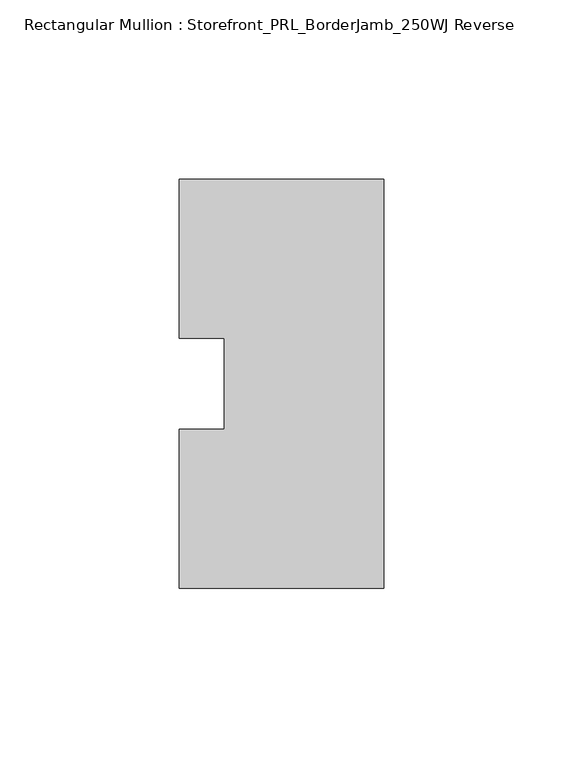
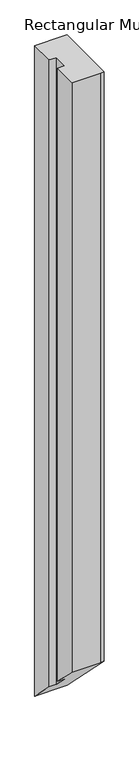
"""IFC4 building model written with IfcOpenShell, lengths in millimetres: member geometry, Rectangular Mullion : Storefront_PRL_BorderJamb_250WJ Reverse."""

from ifc_helpers import new_model, si_unit, origin, place, context, project, spatial, faceted_brep, source, transform, mapped, element, save


def rectangular_mullion_storefront_prl_borderjamb_250wj_reverse_ddfc207d(model_context):
    return source(origin(), model_context, "Body", "Brep", [
        faceted_brep([(-44.45, -12.7, 0.0), (-57.15, -12.7, 0.0), (-57.15, -57.15, 0.0), (-6.35, -57.15, 0.0), (0.0, -57.15, 0.0), (0.0, 57.15, 0.0), (-7.3958824, 57.15, 0.0), (-57.15, 57.15, 0.0), (-57.15, 12.7, 0.0), (-44.45, 12.7, 0.0), (-44.45, -12.7, -1149.35), (-57.15, -12.7, -1149.35), (-57.15, -57.15, -1104.9), (-6.35, -57.15, -1104.9), (0.0, -57.15, -1104.9), (0.0, 57.15, -1219.2), (-7.3958824, 57.15, -1219.2), (-57.15, 57.15, -1219.2), (-57.15, 12.7, -1174.75), (-44.45, 12.7, -1174.75)], [[[0, 1, 2, 3, 4, 5, 6, 7, 8, 9]], [[1, 0, 10, 11]], [[2, 1, 11, 12]], [[3, 2, 12, 13]], [[4, 3, 13, 14]], [[5, 4, 14, 15]], [[6, 5, 15, 16]], [[7, 6, 16, 17]], [[8, 7, 17, 18]], [[9, 8, 18, 19]], [[0, 9, 19, 10]], [[10, 19, 18, 17, 16, 15, 14, 13, 12, 11]]]),
    ])


if __name__ == "__main__":
    model = new_model("IFC4")
    model_context = context("Model", 3, world=origin())
    ifc_project = project(units=[si_unit("LENGTHUNIT", "METRE", prefix="MILLI")], contexts=[model_context])
    site = spatial("IfcSite", under=ifc_project)
    building = spatial("IfcBuilding", under=site)
    placement = place(None, origin())
    rectangular_mullion_storefront_prl_borderjamb_250wj_reverse_shape = rectangular_mullion_storefront_prl_borderjamb_250wj_reverse_ddfc207d(model_context)
    element("IfcMember", 1, ObjectType="Rectangular Mullion : Storefront_PRL_BorderJamb_250WJ Reverse", at=placement, inside=building, context=model_context, shape_type="MappedRepresentation", body=[
        mapped(rectangular_mullion_storefront_prl_borderjamb_250wj_reverse_shape, transform((0.0, 0.0, 0.0), x_axis=(1.0, 0.0, 0.0), y_axis=(0.0, 1.0, 0.0), z_axis=(0.0, 0.0, 1.0))),
    ])
    save(model, "model.ifc")
